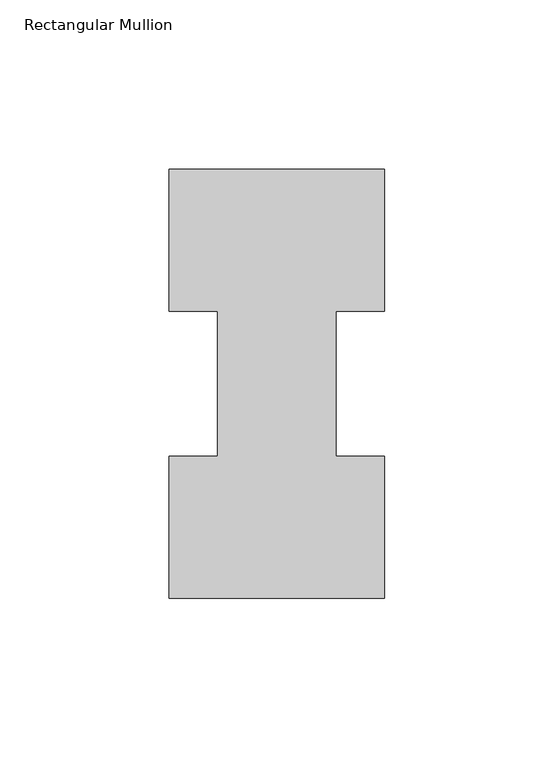
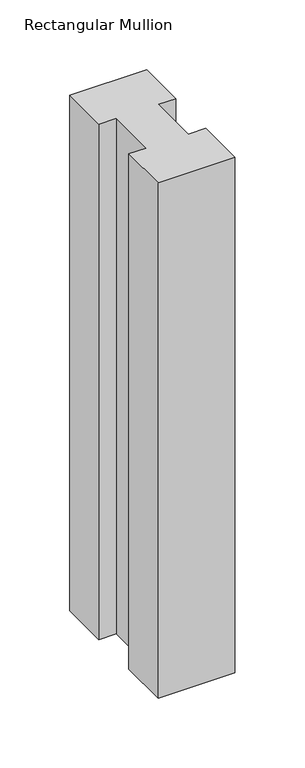
"""IFC4 building model written with IfcOpenShell, lengths in millimetres: member geometry, Rectangular Mullion."""

import ifcopenshell
import ifcopenshell.guid

model = None  # the IFC model being written
_history = None  # IfcOwnerHistory: only IFC2X3 demands one
_inside = {}  # id of a spatial element -> (the spatial element, [elements in it])
_under = {}  # id of a project, library or spatial element -> (it, [spatial elements below it])
_declared = {}  # id of a project -> (the project, [libraries it declares])
_typed = {}  # id of a type object -> (the type object, [elements of that type])
_made_of = {}  # id of a material, layer set ... -> (it, [elements and type objects made of it])


def new_model(schema):
    """Start an empty IFC model of exactly this schema.

    Asked for "IFC4X3", IfcOpenShell would pick the latest addendum, in which some entities
    have other attributes; the version numbers below select the first issue.
    IFC2X3 requires an IfcOwnerHistory on every rooted entity: one is made here for all.
    """
    global model, _history
    if schema == "IFC4X3":
        model = ifcopenshell.file(schema_version=(4, 3, 0, 0))
    else:
        model = ifcopenshell.file(schema=schema)
    _inside.clear()
    _under.clear()
    _declared.clear()
    _typed.clear()
    _made_of.clear()
    _history = None
    if model.schema == "IFC2X3":
        org = make("IfcOrganization", Name="unknown")
        user = make(
            "IfcPersonAndOrganization",
            ThePerson=make("IfcPerson", FamilyName="unknown"),
            TheOrganization=org,
        )
        app = make(
            "IfcApplication",
            ApplicationDeveloper=org,
            Version="unknown",
            ApplicationFullName="unknown",
            ApplicationIdentifier="unknown",
        )
        _history = make(
            "IfcOwnerHistory",
            OwningUser=user,
            OwningApplication=app,
            ChangeAction="ADDED",
            CreationDate=0,
        )
    return model


def make(cls, **values):
    """One entity of the class cls with the attributes given. An attribute that is None is left unset."""
    return model.create_entity(
        cls, **{name: value for name, value in values.items() if value is not None}
    )


def rooted(cls, **values):
    """An entity with a GlobalId (a new one), such as an element, a storey or a relation."""
    return make(cls, GlobalId=ifcopenshell.guid.new(), OwnerHistory=_history, **values)


def si_unit(unit_type, name, prefix=None):
    """IfcSIUnit, for example si_unit("LENGTHUNIT", "METRE", prefix="MILLI")."""
    return make("IfcSIUnit", UnitType=unit_type, Prefix=prefix, Name=name)


def assignment(units):
    """IfcUnitAssignment: the units of a project."""
    return None if units is None else make("IfcUnitAssignment", Units=units)


def point(xyz):
    """IfcCartesianPoint."""
    return None if xyz is None else make("IfcCartesianPoint", Coordinates=xyz)


def direction(xyz):
    """IfcDirection."""
    return None if xyz is None else make("IfcDirection", DirectionRatios=xyz)


def frame(location, z_axis=None, x_axis=None):
    """IfcAxis2Placement3D, a coordinate frame: its origin and axes. An axis left out is left unset."""
    return make(
        "IfcAxis2Placement3D",
        Location=point(location),
        Axis=direction(z_axis),
        RefDirection=direction(x_axis),
    )


def origin():
    """The frame at (0, 0, 0) with its axes left unset."""
    return frame((0.0, 0.0, 0.0))


def place(relative_to, where):
    """IfcLocalPlacement: puts the frame where relative to a parent placement (None: the world)."""
    return make(
        "IfcLocalPlacement", PlacementRelTo=relative_to, RelativePlacement=where
    )


def context(
    kind, dimensions, precision=None, world=None, true_north=None, identifier=None
):
    """IfcGeometricRepresentationContext, for example the 3D "Model" context."""
    return make(
        "IfcGeometricRepresentationContext",
        ContextIdentifier=identifier,
        ContextType=kind,
        CoordinateSpaceDimension=dimensions,
        Precision=precision,
        WorldCoordinateSystem=world,
        TrueNorth=true_north,
    )


def project(units=None, contexts=None):
    """IfcProject with its units and contexts."""
    return rooted(
        "IfcProject",
        Name="project",
        RepresentationContexts=contexts,
        UnitsInContext=assignment(units),
    )


def spatial(cls, under=None, at=None, **own):
    """A site, building, storey or space (cls), placed at a placement, below another one or the project."""
    s = rooted(cls, ObjectPlacement=at, **own)
    if under is not None:
        _under.setdefault(under.id(), (under, []))[1].append(s)
    return s


def polyline(points):
    """IfcPolyline through the points."""
    return make("IfcPolyline", Points=[point(p) for p in points])


def outline(outer, holes=None, kind="AREA"):
    """IfcArbitraryClosedProfileDef: a profile drawn as a closed curve; with holes, ...WithVoids."""
    if holes is None:
        return make("IfcArbitraryClosedProfileDef", ProfileType=kind, OuterCurve=outer)
    return make(
        "IfcArbitraryProfileDefWithVoids",
        ProfileType=kind,
        OuterCurve=outer,
        InnerCurves=holes,
    )


def extrude(swept, where, along, depth):
    """IfcExtrudedAreaSolid: the profile swept, set in the frame where, extruded along a direction by depth."""
    return make(
        "IfcExtrudedAreaSolid",
        SweptArea=swept,
        Position=where,
        ExtrudedDirection=direction(along),
        Depth=depth,
    )


def shape(context_of_items, identifier, shape_type, items):
    """IfcShapeRepresentation: the items that make up one representation, for example the "Body"."""
    return make(
        "IfcShapeRepresentation",
        ContextOfItems=context_of_items,
        RepresentationIdentifier=identifier,
        RepresentationType=shape_type,
        Items=items,
    )


def source(mapping_origin, context_of_items, identifier, shape_type, items):
    """IfcRepresentationMap: a shape defined once, which mapped items show again and again."""
    return make(
        "IfcRepresentationMap",
        MappingOrigin=mapping_origin,
        MappedRepresentation=shape(context_of_items, identifier, shape_type, items),
    )


def transform(
    local_origin,
    x_axis=None,
    y_axis=None,
    z_axis=None,
    scale=None,
    scale2=None,
    scale3=None,
    uniform=True,
):
    """IfcCartesianTransformationOperator3D, or its non-uniform kind. x_axis, y_axis, z_axis: its Axis1, 2, 3."""
    if uniform:
        return make(
            "IfcCartesianTransformationOperator3D",
            Axis1=direction(x_axis),
            Axis2=direction(y_axis),
            LocalOrigin=point(local_origin),
            Scale=scale,
            Axis3=direction(z_axis),
        )
    return make(
        "IfcCartesianTransformationOperator3DnonUniform",
        Axis1=direction(x_axis),
        Axis2=direction(y_axis),
        LocalOrigin=point(local_origin),
        Scale=scale,
        Axis3=direction(z_axis),
        Scale2=scale2,
        Scale3=scale3,
    )


def mapped(mapping_source, mapping_target):
    """IfcMappedItem: shows the shape of a source again, moved by a transform."""
    return make(
        "IfcMappedItem", MappingSource=mapping_source, MappingTarget=mapping_target
    )


def made_of(thing, what):
    """Note that an element or type object is made of a material, layer set ...; save() writes the relation."""
    if what is not None:
        _made_of.setdefault(what.id(), (what, []))[1].append(thing)
    return thing


def element(
    cls,
    number,
    at=None,
    inside=None,
    cuts=None,
    type_object=None,
    material=None,
    context=None,
    identifier="Body",
    shape_type=None,
    held_by="IfcProductDefinitionShape",
    body=None,
    shapes=None,
    **own,
):
    """One element of the class cls, such as IfcWall. Its Tag is "e" and its number.

    at: its placement. inside: the storey or other place that contains it. cuts: it is an
    opening in that element (IfcRelVoidsElement). A single representation is given by context,
    identifier, shape_type and body (its items); several are given by shapes. held_by: the class
    of the entity that holds the representations. save() writes the other relations.
    """
    e = rooted(cls, Tag="e%d" % number, ObjectPlacement=at, **own)
    if body is not None:
        shapes = [shape(context, identifier, shape_type, body)]
    if shapes is not None:
        e.Representation = make(held_by, Representations=shapes)
    if inside is not None:
        _inside.setdefault(inside.id(), (inside, []))[1].append(e)
    if cuts is not None:
        rooted(
            "IfcRelVoidsElement", RelatingBuildingElement=cuts, RelatedOpeningElement=e
        )
    if type_object is not None:
        _typed.setdefault(type_object.id(), (type_object, []))[1].append(e)
    return made_of(e, material)


def aggregate(whole, parts):
    """IfcRelAggregates: a whole, such as a stair, and the parts it consists of."""
    return rooted("IfcRelAggregates", RelatingObject=whole, RelatedObjects=parts)


def save(model, path):
    """Write the relations noted so far, then the file.

    IfcRelAggregates (storeys below a building ...), IfcRelContainedInSpatialStructure (elements
    in a storey), IfcRelDefinesByType, IfcRelAssociatesMaterial and IfcRelDeclares: one each for
    every whole, place, type object, material and project.
    """
    for whole, parts in _under.values():
        aggregate(whole, parts)
    for where, things in _inside.values():
        rooted(
            "IfcRelContainedInSpatialStructure",
            RelatedElements=things,
            RelatingStructure=where,
        )
    for kind, things in _typed.values():
        rooted("IfcRelDefinesByType", RelatedObjects=things, RelatingType=kind)
    for what, things in _made_of.values():
        rooted("IfcRelAssociatesMaterial", RelatedObjects=things, RelatingMaterial=what)
    for by, libraries in _declared.values():
        rooted("IfcRelDeclares", RelatingContext=by, RelatedDefinitions=libraries)
    model.write(path)


def rectangular_mullion_b12cd758(model_context):
    return source(origin(), model_context, "Body", "SweptSolid", [
        extrude(outline(polyline([(-63.5, 0.26035), (-63.5, 42.08145), (-49.2125, 42.08145), (-49.2125, 84.93125), (-63.5, 84.93125), (-63.5, 126.75235), (0.0, 126.75235), (0.0, 84.93125), (-14.2748, 84.93125), (-14.2748, 42.08145), (0.0, 42.08145), (0.0, 0.26035), (-63.5, 0.26035)])), frame((0.0, 0.0, -450.85), z_axis=(0.0, 0.0, 1.0), x_axis=(1.0, 0.0, 0.0)), (0.0, 0.0, 1.0), 450.85),
    ])


if __name__ == "__main__":
    model = new_model("IFC4")
    model_context = context("Model", 3, world=origin())
    ifc_project = project(units=[si_unit("LENGTHUNIT", "METRE", prefix="MILLI")], contexts=[model_context])
    site = spatial("IfcSite", under=ifc_project)
    building = spatial("IfcBuilding", under=site)
    placement = place(None, origin())
    rectangular_mullion_shape = rectangular_mullion_b12cd758(model_context)
    element("IfcMember", 1, ObjectType="Rectangular Mullion", at=placement, inside=building, context=model_context, shape_type="MappedRepresentation", body=[
        mapped(rectangular_mullion_shape, transform((0.0, 0.0, 0.0), x_axis=(1.0, 0.0, 0.0), y_axis=(0.0, 1.0, 0.0), z_axis=(0.0, 0.0, 1.0))),
    ])
    save(model, "model.ifc")
